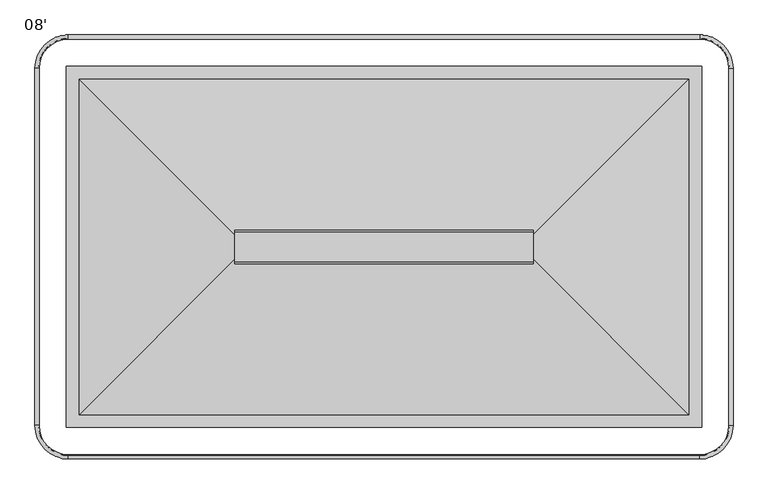
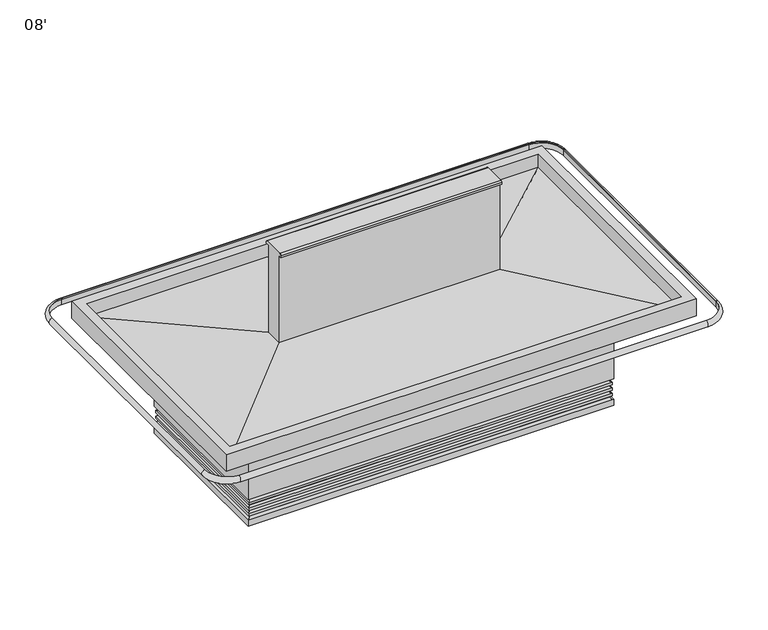
"""IFC4 building model written with IfcOpenShell, lengths in millimetres: proxy geometry, 08'."""

from ifc_helpers import new_model, si_unit, point, frame, frame_2d, origin, place, context, project, spatial, polyline, circle_curve, ellipse_curve, trimmed, segment, composite_curve, outline, extrude, faceted_brep, source, transform, mapped, element, save
from ifc_brep_helpers import plane_surface, cylinder_surface, revolved_surface, advanced_brep


def proxy_08_4865af42(model_context):
    return source(origin(), model_context, "Body", "SolidModel", [
        extrude(outline(polyline([(736.6, -861.8839273), (736.6, -947.6089273), (482.6, -947.6089273), (482.6, -861.8839273), (736.6, -861.8839273)])), frame((0.0, 0.0, 47.767603), z_axis=(0.0, 0.0, 1.0), x_axis=(1.0, 0.0, 0.0)), (0.0, 0.0, 1.0), 6.35),
        extrude(outline(composite_curve([segment(trimmed(circle_curve(frame_2d((1341.3169367, -1217.4839273)), 38.1), [point((1303.2169367, -1217.4839273))], [point((1379.4169367, -1217.4839273))], False, "CARTESIAN"), True, "CONTINUOUS"), segment(trimmed(circle_curve(frame_2d((1341.3169367, -1217.4839273)), 38.1), [point((1379.4169367, -1217.4839273))], [point((1303.2169367, -1217.4839273))], False, "CARTESIAN"), True, "CONTINUOUS")], self_intersect=False)), frame((0.0, 0.0, 45.8758502), z_axis=(0.0, 0.0, 1.0), x_axis=(1.0, 0.0, 0.0)), (0.0, 0.0, 1.0), 55.7241498),
        extrude(outline(composite_curve([segment(trimmed(circle_curve(frame_2d((1593.85, -1541.3339273)), 9.525), [point((1584.325, -1541.3339273))], [point((1603.375, -1541.3339273))], False, "CARTESIAN"), True, "CONTINUOUS"), segment(trimmed(circle_curve(frame_2d((1593.85, -1541.3339273)), 9.525), [point((1603.375, -1541.3339273))], [point((1584.325, -1541.3339273))], False, "CARTESIAN"), True, "CONTINUOUS")], self_intersect=False)), frame((0.0, 0.0, 45.8758502), z_axis=(0.0, 0.0, 1.0), x_axis=(1.0, 0.0, 0.0)), (0.0, 0.0, 1.0), 55.7241498),
        extrude(outline(composite_curve([segment(trimmed(circle_curve(frame_2d((1638.3, -1541.3339273)), 12.7), [point((1625.6, -1541.3339273))], [point((1651.0, -1541.3339273))], False, "CARTESIAN"), True, "CONTINUOUS"), segment(trimmed(circle_curve(frame_2d((1638.3, -1541.3339273)), 12.7), [point((1651.0, -1541.3339273))], [point((1625.6, -1541.3339273))], False, "CARTESIAN"), True, "CONTINUOUS")], self_intersect=False)), frame((0.0, 0.0, 45.8758502), z_axis=(0.0, 0.0, 1.0), x_axis=(1.0, 0.0, 0.0)), (0.0, 0.0, 1.0), 55.7241498),
        advanced_brep(
        [(2266.7346585, -1613.7562898, 146.1174288), (2266.7346585, -817.2619729, 146.1174288), (416.1403415, -817.2619729, 146.1174288), (416.1403415, -1613.7562898, 146.1174288), (2266.7346585, -1613.7562898, 0.0), (416.1403415, -1613.7562898, 0.0), (416.1403415, -817.2619729, 0.0), (2266.7346585, -817.2619729, 0.0), (2223.8721585, -860.1244729, 0.0), (459.0028415, -860.1244729, 0.0), (459.0028415, -1570.8937898, 0.0), (1577.935904, -1570.8937898, 0.0), (1660.564096, -1570.8937898, 0.0), (2223.8721585, -1570.8937898, 0.0), (2223.8721585, -860.1244729, 54.117603), (2223.8721585, -1570.8937898, 54.117603), (1660.564096, -1570.8937898, 54.117603), (1670.05, -1541.3339273, 54.117603), (1568.45, -1541.3339273, 54.117603), (1577.935904, -1570.8937898, 54.117603), (459.0028415, -1570.8937898, 54.117603), (459.0028415, -860.1244729, 54.117603), (1290.5169367, -1217.4839273, 54.117603), (1392.1169367, -1217.4839273, 54.117603), (1568.45, -1541.3339273, 101.6), (1670.05, -1541.3339273, 101.6), (1290.5169367, -1217.4839273, 101.6), (1392.1169367, -1217.4839273, 101.6)],
        [
            (0, 1),
            (1, 2),
            (2, 3),
            (3, 0),
            (4, 5),
            (5, 6),
            (6, 7),
            (7, 4),
            (8, 9),
            (9, 10),
            (10, 11),
            (11, 12, circle_curve(frame((1619.25, -1541.3339273, 0.0), z_axis=(0.0, 0.0, 1.0), x_axis=(1.0, 0.0, 0.0)), 50.8)),
            (12, 13),
            (13, 8),
            (0, 4),
            (7, 1),
            (6, 2),
            (5, 3),
            (14, 15),
            (15, 16),
            (16, 17, circle_curve(frame((1619.25, -1541.3339273, 54.117603), z_axis=(0.0, 0.0, 1.0), x_axis=(1.0, 0.0, 0.0)), 50.8)),
            (17, 18, circle_curve(frame((1619.25, -1541.3339273, 54.117603), z_axis=(0.0, 0.0, 1.0), x_axis=(1.0, 0.0, 0.0)), 50.8)),
            (18, 19, circle_curve(frame((1619.25, -1541.3339273, 54.117603), z_axis=(0.0, 0.0, 1.0), x_axis=(1.0, 0.0, 0.0)), 50.8)),
            (19, 20),
            (20, 21),
            (21, 14),
            (22, 23, circle_curve(frame((1341.3169367, -1217.4839273, 54.117603), z_axis=(0.0, 0.0, 1.0), x_axis=(1.0, 0.0, 0.0)), 50.8)),
            (23, 22, circle_curve(frame((1341.3169367, -1217.4839273, 54.117603), z_axis=(0.0, 0.0, 1.0), x_axis=(1.0, 0.0, 0.0)), 50.8)),
            (21, 9),
            (8, 14),
            (20, 10),
            (19, 11),
            (15, 13),
            (12, 16),
            (24, 25, circle_curve(frame((1619.25, -1541.3339273, 101.6), z_axis=(0.0, 0.0, -1.0), x_axis=(1.0, 0.0, 0.0)), 50.8)),
            (25, 24, circle_curve(frame((1619.25, -1541.3339273, 101.6), z_axis=(0.0, 0.0, -1.0), x_axis=(1.0, 0.0, 0.0)), 50.8)),
            (25, 17),
            (18, 24),
            (26, 27, circle_curve(frame((1341.3169367, -1217.4839273, 101.6), z_axis=(0.0, 0.0, -1.0), x_axis=(1.0, 0.0, 0.0)), 50.8)),
            (27, 26, circle_curve(frame((1341.3169367, -1217.4839273, 101.6), z_axis=(0.0, 0.0, -1.0), x_axis=(1.0, 0.0, 0.0)), 50.8)),
            (27, 23),
            (22, 26),
        ],
        [
            plane_surface(frame((2266.7346585, -817.2619729, 146.1174288), z_axis=(0.0, 0.0, 1.0), x_axis=(0.0, 1.0, 0.0))),
            plane_surface(frame((2266.7346585, -817.2619729, 0.0), z_axis=(0.0, 0.0, -1.0), x_axis=(0.0, -1.0, 0.0))),
            plane_surface(frame((2266.7346585, -1613.7562898, 146.1174288), z_axis=(1.0, 0.0, 0.0), x_axis=(0.0, 0.0, -1.0))),
            plane_surface(frame((2266.7346585, -817.2619729, 146.1174288), z_axis=(0.0, 1.0, 0.0), x_axis=(0.0, 0.0, -1.0))),
            plane_surface(frame((416.1403415, -817.2619729, 146.1174288), z_axis=(-1.0, 0.0, 0.0), x_axis=(0.0, 0.0, -1.0))),
            plane_surface(frame((416.1403415, -1613.7562898, 146.1174288), z_axis=(0.0, -1.0, 0.0), x_axis=(0.0, 0.0, -1.0))),
            plane_surface(frame((459.0028415, -860.1244729, 54.117603), z_axis=(0.0, 0.0, -1.0), x_axis=(-1.0, 0.0, 0.0))),
            plane_surface(frame((2223.8721585, -860.1244729, 54.117603), z_axis=(0.0, -1.0, 0.0), x_axis=(0.0, 0.0, -1.0))),
            plane_surface(frame((459.0028415, -860.1244729, 54.117603), z_axis=(1.0, 0.0, 0.0), x_axis=(0.0, 0.0, -1.0))),
            plane_surface(frame((459.0028415, -1570.8937898, 54.117603), z_axis=(0.0, 1.0, 0.0), x_axis=(0.0, 0.0, -1.0))),
            plane_surface(frame((2223.8721585, -1570.8937898, 54.117603), z_axis=(-1.0, 0.0, 0.0), x_axis=(0.0, 0.0, -1.0))),
            plane_surface(frame((1670.05, -1541.3339273, 101.6), z_axis=(0.0, 0.0, -1.0), x_axis=(0.0, 1.0, 0.0))),
            revolved_surface(polyline([(1670.05, -1541.3339273, 101.6), (1670.05, -1541.3339273, 0.0)]), (1619.25, -1541.3339273, 0.0), (0.0, 0.0, 1.0)),
            revolved_surface(polyline([(1670.05, -1541.3339273, 101.6), (1670.05, -1541.3339273, 54.117603)]), (1619.25, -1541.3339273, 0.0), (0.0, 0.0, 1.0)),
            plane_surface(frame((1392.1169367, -1217.4839273, 101.6), z_axis=(0.0, 0.0, -1.0), x_axis=(0.0, 1.0, 0.0))),
            revolved_surface(polyline([(1392.1169367, -1217.4839273, 101.6), (1392.1169367, -1217.4839273, 54.117603)]), (1341.3169367, -1217.4839273, 0.0), (0.0, 0.0, 1.0)),
        ],
        [
            (0, [[1, 2, 3, 4]]),
            (1, [[5, 6, 7, 8], [9, 10, 11, 12, 13, 14]]),
            (2, [[-1, 15, -8, 16]]),
            (3, [[-2, -16, -7, 17]]),
            (4, [[-3, -17, -6, 18]]),
            (5, [[-4, -18, -5, -15]]),
            (6, [[19, 20, 21, 22, 23, 24, 25, 26], [27, 28]]),
            (7, [[-26, 29, -9, 30]]),
            (8, [[-25, 31, -10, -29]]),
            (9, [[-31, -24, 32, -11]]),
            (9, [[33, -13, 34, -20]]),
            (10, [[-19, -30, -14, -33]]),
            (11, [[35, 36]]),
            (12, [[-36, 37, -21, -34, -12, -32, -23, 38]]),
            (13, [[-35, -38, -22, -37]]),
            (14, [[39, 40]]),
            (15, [[-40, 41, -27, 42]]),
            (15, [[-39, -42, -28, -41]]),
        ],
    ),
        advanced_brep(
        [(2290.0141466, -1637.0357779, 31.5422302), (2290.0141466, -1637.0357779, 0.0), (2290.0141466, -793.9824848, 0.0), (2290.0141466, -793.9824848, 31.5422302), (2276.3963436, -807.6002877, 41.1495431), (2276.3963436, -1623.417975, 41.1495431), (2272.9072466, -811.0893848, 52.3148032), (2272.9072466, -1619.9288779, 52.3148032), (2283.5444418, -800.4521895, 50.1569804), (2283.5444418, -1630.5660732, 50.1569804), (2285.5383418, -1632.5599732, 62.8569804), (2285.5383418, -1632.5599732, 50.1569804), (2285.5383418, -798.4582895, 50.1569804), (2285.5383418, -798.4582895, 62.8569804), (2276.3963436, -807.6002877, 72.1217262), (2276.3963436, -1623.417975, 72.1217262), (2272.9072466, -811.0893848, 83.2869863), (2272.9072466, -1619.9288779, 83.2869863), (2283.5444418, -800.4521895, 81.1291635), (2283.5444418, -1630.5660732, 81.1291635), (2285.5383418, -1632.5599732, 93.8291635), (2285.5383418, -1632.5599732, 81.1291635), (2285.5383418, -798.4582895, 81.1291635), (2285.5383418, -798.4582895, 93.8291635), (2276.3963436, -807.6002877, 103.0939093), (2276.3963436, -1623.417975, 103.0939093), (2272.9072466, -811.0893848, 114.1327174), (2272.9072466, -1619.9288779, 114.1327174), (2283.5444418, -800.4521895, 112.1015335), (2283.5444418, -1630.5660732, 112.1015335), (2285.5383418, -1632.5599732, 124.8015335), (2285.5383418, -1632.5599732, 112.1015335), (2285.5383418, -798.4582895, 112.1015335), (2285.5383418, -798.4582895, 124.8015335), (2272.9072466, -811.0893848, 137.5013466), (2272.9072466, -1619.9288779, 137.5013466), (2272.9072466, -811.0893848, 146.1174288), (2272.9072466, -1619.9288779, 146.1174288), (2266.7346585, -1613.7562898, 0.0), (2266.7346585, -1613.7562898, 146.1174288), (2266.7346585, -817.2619729, 146.1174288), (2266.7346585, -817.2619729, 0.0), (392.8608534, -793.9824848, 0.0), (392.8608534, -793.9824848, 31.5422302), (406.4786564, -807.6002877, 41.1495431), (409.9677534, -811.0893848, 52.3148032), (399.3305582, -800.4521895, 50.1569804), (397.3366582, -798.4582895, 50.1569804), (397.3366582, -798.4582895, 62.8569804), (406.4786564, -807.6002877, 72.1217262), (409.9677534, -811.0893848, 83.2869863), (399.3305582, -800.4521895, 81.1291635), (397.3366582, -798.4582895, 81.1291635), (397.3366582, -798.4582895, 93.8291635), (406.4786564, -807.6002877, 103.0939093), (409.9677534, -811.0893848, 114.1327174), (399.3305582, -800.4521895, 112.1015335), (397.3366582, -798.4582895, 112.1015335), (397.3366582, -798.4582895, 124.8015335), (409.9677534, -811.0893848, 137.5013466), (409.9677534, -811.0893848, 146.1174288), (416.1403415, -817.2619729, 146.1174288), (416.1403415, -817.2619729, 0.0), (392.8608534, -1637.0357779, 0.0), (392.8608534, -1637.0357779, 31.5422302), (406.4786564, -1623.417975, 41.1495431), (409.9677534, -1619.9288779, 52.3148032), (399.3305582, -1630.5660732, 50.1569804), (397.3366582, -1632.5599732, 50.1569804), (397.3366582, -1632.5599732, 62.8569804), (406.4786564, -1623.417975, 72.1217262), (409.9677534, -1619.9288779, 83.2869863), (399.3305582, -1630.5660732, 81.1291635), (397.3366582, -1632.5599732, 81.1291635), (397.3366582, -1632.5599732, 93.8291635), (406.4786564, -1623.417975, 103.0939093), (409.9677534, -1619.9288779, 114.1327174), (399.3305582, -1630.5660732, 112.1015335), (397.3366582, -1632.5599732, 112.1015335), (397.3366582, -1632.5599732, 124.8015335), (409.9677534, -1619.9288779, 137.5013466), (409.9677534, -1619.9288779, 146.1174288), (416.1403415, -1613.7562898, 146.1174288), (416.1403415, -1613.7562898, 0.0)],
        [
            (0, 1),
            (1, 2),
            (2, 3),
            (3, 0),
            (3, 4, ellipse_curve(frame((2288.7301808, -795.2664505, 44.1771593), z_axis=(-0.7071067811865475, 0.7071067811865475, 0.0), x_axis=(0.7071067811865474, 0.7071067811865476, 0.0)), 17.9605122, 12.7)),
            (4, 5),
            (5, 0, ellipse_curve(frame((2288.7301808, -1635.7518122, 44.1771593), z_axis=(-0.7071067811865475, -0.7071067811865475, 0.0), x_axis=(-0.7071067811865474, 0.7071067811865476, 0.0)), 17.9605122, 12.7)),
            (4, 6),
            (6, 7),
            (7, 5),
            (6, 8),
            (8, 9),
            (9, 7),
            (10, 11),
            (11, 12),
            (12, 13),
            (13, 10),
            (13, 14, ellipse_curve(frame((2288.7301808, -795.2664505, 75.1493424), z_axis=(-0.7071067811865475, 0.7071067811865475, 0.0), x_axis=(0.7071067811865474, 0.7071067811865476, 0.0)), 17.9605122, 12.7)),
            (14, 15),
            (15, 10, ellipse_curve(frame((2288.7301808, -1635.7518122, 75.1493424), z_axis=(-0.7071067811865475, -0.7071067811865475, 0.0), x_axis=(-0.7071067811865474, 0.7071067811865476, 0.0)), 17.9605122, 12.7)),
            (14, 16),
            (16, 17),
            (17, 15),
            (16, 18),
            (18, 19),
            (19, 17),
            (20, 21),
            (21, 22),
            (22, 23),
            (23, 20),
            (23, 24, ellipse_curve(frame((2288.7301808, -795.2664505, 106.1215255), z_axis=(-0.7071067811865475, 0.7071067811865475, 0.0), x_axis=(0.7071067811865474, 0.7071067811865476, 0.0)), 17.9605122, 12.7)),
            (24, 25),
            (25, 20, ellipse_curve(frame((2288.7301808, -1635.7518122, 106.1215255), z_axis=(-0.7071067811865475, -0.7071067811865475, 0.0), x_axis=(-0.7071067811865474, 0.7071067811865476, 0.0)), 17.9605122, 12.7)),
            (24, 26),
            (26, 27),
            (27, 25),
            (26, 28),
            (28, 29),
            (29, 27),
            (30, 31),
            (31, 32),
            (32, 33),
            (33, 30),
            (33, 34, ellipse_curve(frame((2285.6072466, -798.3893848, 137.5013466), z_axis=(-0.7071067811865475, 0.7071067811865475, 0.0), x_axis=(0.7071067811865474, 0.7071067811865476, 0.0)), 17.9605122, 12.7)),
            (34, 35),
            (35, 30, ellipse_curve(frame((2285.6072466, -1632.6288779, 137.5013466), z_axis=(-0.7071067811865475, -0.7071067811865475, 0.0), x_axis=(-0.7071067811865474, 0.7071067811865476, 0.0)), 17.9605122, 12.7)),
            (34, 36),
            (36, 37),
            (37, 35),
            (38, 39),
            (39, 40),
            (40, 41),
            (41, 38),
            (2, 42),
            (42, 43),
            (43, 3),
            (43, 44, ellipse_curve(frame((394.1448192, -795.2664505, 44.1771593), z_axis=(-0.7071067811865475, -0.7071067811865475, 0.0), x_axis=(-0.7071067811865476, 0.7071067811865474, 0.0)), 17.9605122, 12.7)),
            (44, 4),
            (44, 45),
            (45, 6),
            (45, 46),
            (46, 8),
            (12, 47),
            (47, 48),
            (48, 13),
            (48, 49, ellipse_curve(frame((394.1448192, -795.2664505, 75.1493424), z_axis=(-0.7071067811865475, -0.7071067811865475, 0.0), x_axis=(-0.7071067811865476, 0.7071067811865474, 0.0)), 17.9605122, 12.7)),
            (49, 14),
            (49, 50),
            (50, 16),
            (50, 51),
            (51, 18),
            (22, 52),
            (52, 53),
            (53, 23),
            (53, 54, ellipse_curve(frame((394.1448192, -795.2664505, 106.1215255), z_axis=(-0.7071067811865475, -0.7071067811865475, 0.0), x_axis=(-0.7071067811865476, 0.7071067811865474, 0.0)), 17.9605122, 12.7)),
            (54, 24),
            (54, 55),
            (55, 26),
            (55, 56),
            (56, 28),
            (32, 57),
            (57, 58),
            (58, 33),
            (58, 59, ellipse_curve(frame((397.2677534, -798.3893848, 137.5013466), z_axis=(-0.7071067811865475, -0.7071067811865475, 0.0), x_axis=(-0.7071067811865476, 0.7071067811865474, 0.0)), 17.9605122, 12.7)),
            (59, 34),
            (59, 60),
            (60, 36),
            (40, 61),
            (61, 62),
            (62, 41),
            (42, 63),
            (63, 64),
            (64, 43),
            (64, 65, ellipse_curve(frame((394.1448192, -1635.7518122, 44.1771593), z_axis=(0.7071067811865475, -0.7071067811865475, 0.0), x_axis=(-0.7071067811865474, -0.7071067811865476, 0.0)), 17.9605122, 12.7)),
            (65, 44),
            (65, 66),
            (66, 45),
            (66, 67),
            (67, 46),
            (47, 68),
            (68, 69),
            (69, 48),
            (69, 70, ellipse_curve(frame((394.1448192, -1635.7518122, 75.1493424), z_axis=(0.7071067811865475, -0.7071067811865475, 0.0), x_axis=(-0.7071067811865474, -0.7071067811865476, 0.0)), 17.9605122, 12.7)),
            (70, 49),
            (70, 71),
            (71, 50),
            (71, 72),
            (72, 51),
            (52, 73),
            (73, 74),
            (74, 53),
            (74, 75, ellipse_curve(frame((394.1448192, -1635.7518122, 106.1215255), z_axis=(0.7071067811865475, -0.7071067811865475, 0.0), x_axis=(-0.7071067811865474, -0.7071067811865476, 0.0)), 17.9605122, 12.7)),
            (75, 54),
            (75, 76),
            (76, 55),
            (76, 77),
            (77, 56),
            (57, 78),
            (78, 79),
            (79, 58),
            (79, 80, ellipse_curve(frame((397.2677534, -1632.6288779, 137.5013466), z_axis=(0.7071067811865475, -0.7071067811865475, 0.0), x_axis=(-0.7071067811865474, -0.7071067811865476, 0.0)), 17.9605122, 12.7)),
            (80, 59),
            (80, 81),
            (81, 60),
            (61, 82),
            (82, 83),
            (83, 62),
            (0, 64),
            (63, 1),
            (5, 65),
            (7, 66),
            (9, 67),
            (11, 68),
            (10, 69),
            (15, 70),
            (17, 71),
            (19, 72),
            (21, 73),
            (20, 74),
            (25, 75),
            (27, 76),
            (29, 77),
            (31, 78),
            (30, 79),
            (35, 80),
            (37, 81),
            (39, 82),
            (38, 83),
        ],
        [
            plane_surface(frame((2290.0141466, -1637.0357779, 0.0), z_axis=(1.0, 0.0, 0.0), x_axis=(0.0, 1.0, 0.0))),
            revolved_surface(polyline([(2276.0301808000004, -782.5664505297964, 44.1771593), (2276.0301808000004, -1648.4518121702035, 44.1771593)]), (2288.7301808, -2029.8966313, 44.1771593), (0.0, 1.0, 0.0)),
            plane_surface(frame((2276.3963436, -1623.417975, 41.1495431), z_axis=(0.9544811145040246, 0.0, 0.298271356410828), x_axis=(0.0, 1.0, 0.0))),
            plane_surface(frame((2272.9072466, -1619.9288779, 52.3148032), z_axis=(-0.19880707887706084, 0.0, -0.9800386448443603), x_axis=(0.0, 1.0, 0.0))),
            plane_surface(frame((2285.5383418, -1632.5599732, 50.1569804), z_axis=(1.0, 0.0, 0.0), x_axis=(0.0, 1.0, 0.0))),
            revolved_surface(polyline([(2276.0301808000004, -782.5664505297964, 75.1493424), (2276.0301808000004, -1648.4518121702035, 75.1493424)]), (2288.7301808, -2029.8966313, 75.1493424), (0.0, 1.0, 0.0)),
            plane_surface(frame((2276.3963436, -1623.417975, 72.1217262), z_axis=(0.9544811145040845, 0.0, 0.29827135641063635), x_axis=(0.0, 1.0, 0.0))),
            plane_surface(frame((2272.9072466, -1619.9288779, 83.2869863), z_axis=(-0.198807078877056, 0.0, -0.9800386448443613), x_axis=(0.0, 1.0, 0.0))),
            plane_surface(frame((2285.5383418, -1632.5599732, 81.1291635), z_axis=(1.0, 0.0, 0.0), x_axis=(0.0, 1.0, 0.0))),
            revolved_surface(polyline([(2276.0301808000004, -782.5664505297964, 106.1215255), (2276.0301808000004, -1648.4518121702035, 106.1215255)]), (2288.7301808, -2029.8966313, 106.1215255), (0.0, 1.0, 0.0)),
            plane_surface(frame((2276.3963436, -1623.417975, 103.0939093), z_axis=(0.9535043111325446, 0.0, 0.3013793766196547), x_axis=(0.0, 1.0, 0.0))),
            plane_surface(frame((2272.9072466, -1619.9288779, 114.1327174), z_axis=(-0.18756221551811014, 0.0, -0.9822527247658507), x_axis=(0.0, 1.0, 0.0))),
            plane_surface(frame((2285.5383418, -1632.5599732, 112.1015335), z_axis=(1.0, 0.0, 0.0), x_axis=(0.0, 1.0, 0.0))),
            revolved_surface(polyline([(2272.9072466000002, -785.6893848297964, 137.5013466), (2272.9072466000002, -1645.3288778702035, 137.5013466)]), (2285.6072466, -2029.8966313, 137.5013466), (0.0, 1.0, 0.0)),
            plane_surface(frame((2272.9072466, -1619.9288779, 137.5013466), z_axis=(1.0, 0.0, 0.0), x_axis=(0.0, 1.0, 0.0))),
            plane_surface(frame((2266.7346585, -1613.7562898, 146.1174288), z_axis=(-1.0, 0.0, 0.0), x_axis=(0.0, 1.0, 0.0))),
            plane_surface(frame((2290.0141466, -793.9824848, 0.0), z_axis=(0.0, 1.0, 0.0), x_axis=(-1.0, 0.0, 0.0))),
            revolved_surface(polyline([(381.44481922979594, -807.9664505000001, 44.1771593), (2301.430180770204, -807.9664505000001, 44.1771593)]), (2682.875, -795.2664505, 44.1771593), (-1.0, 0.0, 0.0)),
            plane_surface(frame((2276.3963436, -807.6002877, 41.1495431), z_axis=(0.0, 0.9544811145040246, 0.298271356410828), x_axis=(-1.0, 0.0, 0.0))),
            plane_surface(frame((2272.9072466, -811.0893848, 52.3148032), z_axis=(0.0, -0.19880707887706084, -0.9800386448443603), x_axis=(-1.0, 0.0, 0.0))),
            plane_surface(frame((2285.5383418, -798.4582895, 50.1569804), z_axis=(0.0, 1.0, 0.0), x_axis=(-1.0, 0.0, 0.0))),
            revolved_surface(polyline([(381.44481922979594, -807.9664505000001, 75.1493424), (2301.430180770204, -807.9664505000001, 75.1493424)]), (2682.875, -795.2664505, 75.1493424), (-1.0, 0.0, 0.0)),
            plane_surface(frame((2276.3963436, -807.6002877, 72.1217262), z_axis=(0.0, 0.9544811145040845, 0.29827135641063635), x_axis=(-1.0, 0.0, 0.0))),
            plane_surface(frame((2272.9072466, -811.0893848, 83.2869863), z_axis=(0.0, -0.198807078877056, -0.9800386448443613), x_axis=(-1.0, 0.0, 0.0))),
            plane_surface(frame((2285.5383418, -798.4582895, 81.1291635), z_axis=(0.0, 1.0, 0.0), x_axis=(-1.0, 0.0, 0.0))),
            revolved_surface(polyline([(381.44481922979594, -807.9664505000001, 106.1215255), (2301.430180770204, -807.9664505000001, 106.1215255)]), (2682.875, -795.2664505, 106.1215255), (-1.0, 0.0, 0.0)),
            plane_surface(frame((2276.3963436, -807.6002877, 103.0939093), z_axis=(0.0, 0.9535043111325446, 0.3013793766196547), x_axis=(-1.0, 0.0, 0.0))),
            plane_surface(frame((2272.9072466, -811.0893848, 114.1327174), z_axis=(0.0, -0.18756221551811014, -0.9822527247658507), x_axis=(-1.0, 0.0, 0.0))),
            plane_surface(frame((2285.5383418, -798.4582895, 112.1015335), z_axis=(0.0, 1.0, 0.0), x_axis=(-1.0, 0.0, 0.0))),
            revolved_surface(polyline([(384.5677534297961, -811.0893848000001, 137.5013466), (2298.307246570204, -811.0893848000001, 137.5013466)]), (2682.875, -798.3893848, 137.5013466), (-1.0, 0.0, 0.0)),
            plane_surface(frame((2272.9072466, -811.0893848, 137.5013466), z_axis=(0.0, 1.0, 0.0), x_axis=(-1.0, 0.0, 0.0))),
            plane_surface(frame((2266.7346585, -817.2619729, 146.1174288), z_axis=(0.0, -1.0, 0.0), x_axis=(-1.0, 0.0, 0.0))),
            plane_surface(frame((392.8608534, -793.9824848, 0.0), z_axis=(-1.0, 0.0, 0.0), x_axis=(0.0, -1.0, 0.0))),
            revolved_surface(polyline([(406.84481919999996, -1648.4518121702035, 44.1771593), (406.84481919999996, -782.5664505297964, 44.1771593)]), (394.1448192, -401.1216313, 44.1771593), (0.0, -1.0, 0.0)),
            plane_surface(frame((406.4786564, -807.6002877, 41.1495431), z_axis=(-0.9544811145040246, 0.0, 0.298271356410828), x_axis=(0.0, -1.0, 0.0))),
            plane_surface(frame((409.9677534, -811.0893848, 52.3148032), z_axis=(0.19880707887706084, 0.0, -0.9800386448443603), x_axis=(0.0, -1.0, 0.0))),
            plane_surface(frame((397.3366582, -798.4582895, 50.1569804), z_axis=(-1.0, 0.0, 0.0), x_axis=(0.0, -1.0, 0.0))),
            revolved_surface(polyline([(406.84481919999996, -1648.4518121702035, 75.1493424), (406.84481919999996, -782.5664505297964, 75.1493424)]), (394.1448192, -401.1216313, 75.1493424), (0.0, -1.0, 0.0)),
            plane_surface(frame((406.4786564, -807.6002877, 72.1217262), z_axis=(-0.9544811145040845, 0.0, 0.29827135641063635), x_axis=(0.0, -1.0, 0.0))),
            plane_surface(frame((409.9677534, -811.0893848, 83.2869863), z_axis=(0.198807078877056, 0.0, -0.9800386448443613), x_axis=(0.0, -1.0, 0.0))),
            plane_surface(frame((397.3366582, -798.4582895, 81.1291635), z_axis=(-1.0, 0.0, 0.0), x_axis=(0.0, -1.0, 0.0))),
            revolved_surface(polyline([(406.84481919999996, -1648.4518121702035, 106.1215255), (406.84481919999996, -782.5664505297964, 106.1215255)]), (394.1448192, -401.1216313, 106.1215255), (0.0, -1.0, 0.0)),
            plane_surface(frame((406.4786564, -807.6002877, 103.0939093), z_axis=(-0.9535043111325446, 0.0, 0.3013793766196547), x_axis=(0.0, -1.0, 0.0))),
            plane_surface(frame((409.9677534, -811.0893848, 114.1327174), z_axis=(0.18756221551811014, 0.0, -0.9822527247658507), x_axis=(0.0, -1.0, 0.0))),
            plane_surface(frame((397.3366582, -798.4582895, 112.1015335), z_axis=(-1.0, 0.0, 0.0), x_axis=(0.0, -1.0, 0.0))),
            revolved_surface(polyline([(409.9677534, -1645.3288778702035, 137.5013466), (409.9677534, -785.6893848297964, 137.5013466)]), (397.2677534, -401.1216313, 137.5013466), (0.0, -1.0, 0.0)),
            plane_surface(frame((409.9677534, -811.0893848, 137.5013466), z_axis=(-1.0, 0.0, 0.0), x_axis=(0.0, -1.0, 0.0))),
            plane_surface(frame((416.1403415, -817.2619729, 146.1174288), z_axis=(1.0, 0.0, 0.0), x_axis=(0.0, -1.0, 0.0))),
            plane_surface(frame((392.8608534, -1637.0357779, 0.0), z_axis=(0.0, -1.0, 0.0), x_axis=(1.0, 0.0, 0.0))),
            revolved_surface(polyline([(2301.430180770204, -1623.0518121999999, 44.1771593), (381.4448192297963, -1623.0518121999999, 44.1771593)]), (0.0, -1635.7518122, 44.1771593), (1.0, 0.0, 0.0)),
            plane_surface(frame((406.4786564, -1623.417975, 41.1495431), z_axis=(0.0, -0.9544811145040246, 0.298271356410828), x_axis=(1.0, 0.0, 0.0))),
            plane_surface(frame((409.9677534, -1619.9288779, 52.3148032), z_axis=(0.0, 0.19880707887706084, -0.9800386448443603), x_axis=(1.0, 0.0, 0.0))),
            plane_surface(frame((399.3305582, -1630.5660732, 50.1569804), z_axis=(0.0, 0.0, -1.0), x_axis=(1.0, 0.0, 0.0))),
            plane_surface(frame((397.3366582, -1632.5599732, 50.1569804), z_axis=(0.0, -1.0, 0.0), x_axis=(1.0, 0.0, 0.0))),
            revolved_surface(polyline([(2301.430180770204, -1623.0518121999999, 75.1493424), (381.4448192297963, -1623.0518121999999, 75.1493424)]), (0.0, -1635.7518122, 75.1493424), (1.0, 0.0, 0.0)),
            plane_surface(frame((406.4786564, -1623.417975, 72.1217262), z_axis=(0.0, -0.9544811145040845, 0.29827135641063635), x_axis=(1.0, 0.0, 0.0))),
            plane_surface(frame((409.9677534, -1619.9288779, 83.2869863), z_axis=(0.0, 0.198807078877056, -0.9800386448443613), x_axis=(1.0, 0.0, 0.0))),
            plane_surface(frame((399.3305582, -1630.5660732, 81.1291635), z_axis=(0.0, 0.0, -1.0), x_axis=(1.0, 0.0, 0.0))),
            plane_surface(frame((397.3366582, -1632.5599732, 81.1291635), z_axis=(0.0, -1.0, 0.0), x_axis=(1.0, 0.0, 0.0))),
            revolved_surface(polyline([(2301.430180770204, -1623.0518121999999, 106.1215255), (381.4448192297963, -1623.0518121999999, 106.1215255)]), (0.0, -1635.7518122, 106.1215255), (1.0, 0.0, 0.0)),
            plane_surface(frame((406.4786564, -1623.417975, 103.0939093), z_axis=(0.0, -0.9535043111325446, 0.3013793766196547), x_axis=(1.0, 0.0, 0.0))),
            plane_surface(frame((409.9677534, -1619.9288779, 114.1327174), z_axis=(0.0, 0.18756221551811014, -0.9822527247658507), x_axis=(1.0, 0.0, 0.0))),
            plane_surface(frame((399.3305582, -1630.5660732, 112.1015335), z_axis=(0.0, 0.0, -1.0), x_axis=(1.0, 0.0, 0.0))),
            plane_surface(frame((397.3366582, -1632.5599732, 112.1015335), z_axis=(0.0, -1.0, 0.0), x_axis=(1.0, 0.0, 0.0))),
            revolved_surface(polyline([(2298.307246570204, -1619.9288778999999, 137.5013466), (384.5677534297963, -1619.9288778999999, 137.5013466)]), (0.0, -1632.6288779, 137.5013466), (1.0, 0.0, 0.0)),
            plane_surface(frame((409.9677534, -1619.9288779, 137.5013466), z_axis=(0.0, -1.0, 0.0), x_axis=(1.0, 0.0, 0.0))),
            plane_surface(frame((409.9677534, -1619.9288779, 146.1174288), z_axis=(0.0, 0.0, 1.0), x_axis=(1.0, 0.0, 0.0))),
            plane_surface(frame((416.1403415, -1613.7562898, 146.1174288), z_axis=(0.0, 1.0, 0.0), x_axis=(1.0, 0.0, 0.0))),
            plane_surface(frame((416.1403415, -1613.7562898, 0.0), z_axis=(0.0, 0.0, -1.0), x_axis=(1.0, 0.0, 0.0))),
        ],
        [
            (0, [[1, 2, 3, 4]]),
            (1, [[-4, 5, 6, 7]]),
            (2, [[-6, 8, 9, 10]]),
            (3, [[-9, 11, 12, 13]]),
            (4, [[14, 15, 16, 17]]),
            (5, [[-17, 18, 19, 20]]),
            (6, [[-19, 21, 22, 23]]),
            (7, [[-22, 24, 25, 26]]),
            (8, [[27, 28, 29, 30]]),
            (9, [[-30, 31, 32, 33]]),
            (10, [[-32, 34, 35, 36]]),
            (11, [[-35, 37, 38, 39]]),
            (12, [[40, 41, 42, 43]]),
            (13, [[-43, 44, 45, 46]]),
            (14, [[-45, 47, 48, 49]]),
            (15, [[50, 51, 52, 53]]),
            (16, [[-3, 54, 55, 56]]),
            (17, [[-5, -56, 57, 58]]),
            (18, [[-8, -58, 59, 60]]),
            (19, [[-11, -60, 61, 62]]),
            (20, [[-16, 63, 64, 65]]),
            (21, [[-18, -65, 66, 67]]),
            (22, [[-21, -67, 68, 69]]),
            (23, [[-24, -69, 70, 71]]),
            (24, [[-29, 72, 73, 74]]),
            (25, [[-31, -74, 75, 76]]),
            (26, [[-34, -76, 77, 78]]),
            (27, [[-37, -78, 79, 80]]),
            (28, [[-42, 81, 82, 83]]),
            (29, [[-44, -83, 84, 85]]),
            (30, [[-47, -85, 86, 87]]),
            (31, [[-52, 88, 89, 90]]),
            (32, [[-55, 91, 92, 93]]),
            (33, [[-57, -93, 94, 95]]),
            (34, [[-59, -95, 96, 97]]),
            (35, [[-61, -97, 98, 99]]),
            (36, [[-64, 100, 101, 102]]),
            (37, [[-66, -102, 103, 104]]),
            (38, [[-68, -104, 105, 106]]),
            (39, [[-70, -106, 107, 108]]),
            (40, [[-73, 109, 110, 111]]),
            (41, [[-75, -111, 112, 113]]),
            (42, [[-77, -113, 114, 115]]),
            (43, [[-79, -115, 116, 117]]),
            (44, [[-82, 118, 119, 120]]),
            (45, [[-84, -120, 121, 122]]),
            (46, [[-86, -122, 123, 124]]),
            (47, [[-89, 125, 126, 127]]),
            (48, [[-1, 128, -92, 129]]),
            (49, [[-7, 130, -94, -128]]),
            (50, [[-10, 131, -96, -130]]),
            (51, [[-13, 132, -98, -131]]),
            (52, [[-15, 133, -100, -63], [-12, -62, -99, -132]]),
            (53, [[-14, 134, -101, -133]]),
            (54, [[-20, 135, -103, -134]]),
            (55, [[-23, 136, -105, -135]]),
            (56, [[-26, 137, -107, -136]]),
            (57, [[-28, 138, -109, -72], [-25, -71, -108, -137]]),
            (58, [[-27, 139, -110, -138]]),
            (59, [[-33, 140, -112, -139]]),
            (60, [[-36, 141, -114, -140]]),
            (61, [[-39, 142, -116, -141]]),
            (62, [[-41, 143, -118, -81], [-38, -80, -117, -142]]),
            (63, [[-40, 144, -119, -143]]),
            (64, [[-46, 145, -121, -144]]),
            (65, [[-49, 146, -123, -145]]),
            (66, [[-48, -87, -124, -146], [-51, 147, -125, -88]]),
            (67, [[-50, 148, -126, -147]]),
            (68, [[-2, -129, -91, -54], [-53, -90, -127, -148]]),
        ],
    ),
        faceted_brep([(393.096833, -1636.7997983, 354.4616084), (393.096833, -1636.7997983, 146.1174288), (2289.778167, -1636.7997983, 146.1174288), (2289.778167, -1636.7997983, 354.4616084), (412.591333, -1617.3052983, 374.65), (412.591333, -1617.3052983, 354.4616084), (2270.283667, -1617.3052983, 354.4616084), (2270.283667, -1617.3052983, 374.65), (512.4264211, -1517.4702102, 146.1174288), (512.4264211, -1517.4702102, 374.65), (2170.4485789, -1517.4702102, 374.65), (2170.4485789, -1517.4702102, 146.1174288), (2289.778167, -794.2184644, 146.1174288), (2289.778167, -794.2184644, 354.4616084), (2270.283667, -813.7129644, 354.4616084), (2270.283667, -813.7129644, 374.65), (2170.4485789, -913.5480525, 374.65), (2170.4485789, -913.5480525, 146.1174288), (393.096833, -794.2184644, 146.1174288), (393.096833, -794.2184644, 354.4616084), (412.591333, -813.7129644, 354.4616084), (412.591333, -813.7129644, 374.65), (512.4264211, -913.5480525, 374.65), (512.4264211, -913.5480525, 146.1174288)], [[[0, 1, 2, 3]], [[4, 5, 6, 7]], [[8, 9, 10, 11]], [[3, 2, 12, 13]], [[7, 6, 14, 15]], [[11, 10, 16, 17]], [[13, 12, 18, 19]], [[15, 14, 20, 21]], [[17, 16, 22, 23]], [[19, 18, 1, 0]], [[3, 13, 19, 0], [5, 20, 14, 6]], [[21, 20, 5, 4]], [[7, 15, 21, 4], [9, 22, 16, 10]], [[23, 22, 9, 8]], [[1, 18, 12, 2], [11, 17, 23, 8]]]),
        extrude(outline(polyline([(-913.5480525, 374.65), (-913.5480525, 146.1174288), (-1517.4702102, 146.1174288), (-1517.4702102, 374.65), (-1553.9615199, 374.65), (-1553.9615199, 439.7810985), (-1261.5529273, 429.0471023), (-1261.5529273, 581.214329), (-1169.4653354, 581.214329), (-1169.4653354, 429.0471023), (-877.0567428, 439.7810985), (-877.0567428, 374.65), (-913.5480525, 374.65)])), frame((512.4264211, 0.0, 0.0), z_axis=(1.0, 0.0, 0.0), x_axis=(0.0, 1.0, 0.0)), (0.0, 0.0, 1.0), 1658.0221578),
        extrude(outline(composite_curve([segment(polyline([(-1170.2399273, 1126.34395), (-1170.2399273, 581.214329), (-1261.5529273, 581.214329), (-1261.5529273, 1126.34395), (-1280.1838273, 1126.34395), (-1280.1838273, 1137.4501)]), True, "CONTINUOUS"), segment(trimmed(circle_curve(frame_2d((-1273.0464273, 1137.4501)), 7.1374), [point((-1280.1838273, 1137.4501))], [point((-1273.0464273, 1144.5875))], False, "CARTESIAN"), True, "CONTINUOUS"), segment(polyline([(-1273.0464273, 1144.5875), (-1158.7464273, 1144.5875)]), True, "CONTINUOUS"), segment(trimmed(circle_curve(frame_2d((-1158.7464273, 1137.4501)), 7.1374), [point((-1158.7464273, 1144.5875))], [point((-1151.6090273, 1137.4501))], False, "CARTESIAN"), True, "CONTINUOUS"), segment(polyline([(-1151.6090273, 1137.4501), (-1151.6090273, 1126.34395), (-1170.2399273, 1126.34395)]), True, "CONTINUOUS")], self_intersect=False)), frame((768.343704, 0.0, 0.0), z_axis=(1.0, 0.0, 0.0), x_axis=(0.0, 1.0, 0.0)), (0.0, 0.0, 1.0), 1146.1875919),
        faceted_brep([(1914.531296, -1261.5529273, 429.0471023), (1914.531296, -1261.5529273, 648.8884047), (1914.531296, -1169.4653354, 648.8884047), (1914.531296, -1169.4653354, 429.0471023), (2398.9052696, -1745.9269009, 446.8279354), (2398.9052696, -685.0913618, 446.8279354), (2561.9668165, -1908.9884479, 561.0048878), (2561.9668165, -522.0298148, 561.0048878), (2561.9668165, -1908.9884479, 652.4421919), (2561.9668165, -522.0298148, 652.4421919), (2512.8661257, -1859.887757, 581.4120358), (2512.8661257, -1859.887757, 652.4421919), (2512.8661257, -571.1305057, 652.4421919), (2512.8661257, -571.1305057, 581.4120358), (768.343704, -1169.4653354, 648.8884047), (768.343704, -1169.4653354, 429.0471023), (283.9697304, -685.0913618, 446.8279354), (120.9081835, -522.0298148, 561.0048878), (120.9081835, -522.0298148, 652.4421919), (170.0088743, -571.1305057, 652.4421919), (170.0088743, -571.1305057, 581.4120358), (768.343704, -1261.5529273, 648.8884047), (768.343704, -1261.5529273, 429.0471023), (283.9697304, -1745.9269009, 446.8279354), (120.9081835, -1908.9884479, 561.0048878), (120.9081835, -1908.9884479, 652.4421919), (170.0088743, -1859.887757, 652.4421919), (170.0088743, -1859.887757, 581.4120358)], [[[0, 1, 2, 3]], [[4, 0, 3, 5]], [[6, 4, 5, 7]], [[8, 6, 7, 9]], [[10, 11, 12, 13]], [[1, 10, 13, 2]], [[3, 2, 14, 15]], [[5, 3, 15, 16]], [[7, 5, 16, 17]], [[9, 7, 17, 18]], [[13, 12, 19, 20]], [[2, 13, 20, 14]], [[15, 14, 21, 22]], [[16, 15, 22, 23]], [[17, 16, 23, 24]], [[18, 17, 24, 25]], [[20, 19, 26, 27]], [[14, 20, 27, 21]], [[22, 21, 1, 0]], [[23, 22, 0, 4]], [[24, 23, 4, 6]], [[25, 24, 6, 8]], [[9, 18, 25, 8], [11, 26, 19, 12]], [[27, 26, 11, 10]], [[21, 27, 10, 1]]]),
        advanced_brep(
        [(128.5372773, -416.5623694, 567.3554417), (128.5372773, -416.7208248, 602.1833335), (2554.3377227, -416.7208248, 602.1833335), (2554.3377227, -416.5623694, 567.3554417), (2667.434262, -529.6589086, 567.3554417), (2667.2758065, -529.6589086, 602.1833335), (2667.2758065, -1901.3593541, 602.1833335), (2667.434262, -1901.3593541, 567.3554417), (2554.3377227, -2014.4558933, 567.3554417), (2554.3377227, -2014.2974379, 602.1833335), (128.5372773, -2014.2974379, 602.1833335), (128.5372773, -2014.4558933, 567.3554417), (15.440738, -1901.3593541, 567.3554417), (15.5991935, -1901.3593541, 602.1833335), (15.5991935, -529.6589086, 602.1833335), (15.440738, -529.6589086, 567.3554417), (13.7849021, -1901.3593541, 594.7340526), (128.5372773, -2016.1117293, 594.7340526), (13.7849021, -529.6589086, 594.7340526), (128.5372773, -414.9065334, 594.7340526), (2554.3377227, -414.9065334, 594.7340526), (2669.0900979, -529.6589086, 594.7340526), (2669.0900979, -1901.3593541, 594.7340526), (2554.3377227, -2016.1117293, 594.7340526)],
        [
            (0, 1, circle_curve(frame((128.5372773, -418.2438235, 584.762098), z_axis=(1.0, 0.0, 0.0), x_axis=(0.0, 1.0, 0.0)), 17.4876806)),
            (1, 2),
            (2, 3, circle_curve(frame((2554.3377227, -418.2438235, 584.762098), z_axis=(-1.0, 0.0, 0.0), x_axis=(0.0, 1.0, 0.0)), 17.4876806)),
            (3, 0),
            (4, 3, circle_curve(frame((2554.3377227, -529.6589086, 567.3554417), z_axis=(0.0, 0.0, 1.0), x_axis=(0.0, 1.0, 0.0)), 113.0965393)),
            (2, 5, circle_curve(frame((2554.3377227, -529.6589086, 602.1833335), z_axis=(0.0, 0.0, -1.0), x_axis=(0.0, 1.0, 0.0)), 112.9380838)),
            (5, 4, circle_curve(frame((2665.7528079, -529.6589086, 584.762098), z_axis=(0.0, 1.0, 0.0), x_axis=(1.0, 0.0, 0.0)), 17.4876806)),
            (5, 6),
            (6, 7, circle_curve(frame((2665.7528079, -1901.3593541, 584.762098), z_axis=(0.0, 1.0, 0.0), x_axis=(1.0, 0.0, 0.0)), 17.4876806)),
            (7, 4),
            (8, 7, circle_curve(frame((2554.3377227, -1901.3593541, 567.3554417), z_axis=(0.0, 0.0, 1.0), x_axis=(1.0, 0.0, 0.0)), 113.0965393)),
            (6, 9, circle_curve(frame((2554.3377227, -1901.3593541, 602.1833335), z_axis=(0.0, 0.0, -1.0), x_axis=(1.0, 0.0, 0.0)), 112.9380838)),
            (9, 8, circle_curve(frame((2554.3377227, -2012.7744392, 584.762098), z_axis=(1.0, 0.0, 0.0), x_axis=(0.0, -1.0, 0.0)), 17.4876806)),
            (9, 10),
            (10, 11, circle_curve(frame((128.5372773, -2012.7744392, 584.762098), z_axis=(1.0, 0.0, 0.0), x_axis=(0.0, -1.0, 0.0)), 17.4876806)),
            (11, 8),
            (12, 11, circle_curve(frame((128.5372773, -1901.3593541, 567.3554417), z_axis=(0.0, 0.0, 1.0), x_axis=(0.0, -1.0, 0.0)), 113.0965393)),
            (10, 13, circle_curve(frame((128.5372773, -1901.3593541, 602.1833335), z_axis=(0.0, 0.0, -1.0), x_axis=(0.0, -1.0, 0.0)), 112.9380838)),
            (13, 12, circle_curve(frame((17.1221921, -1901.3593541, 584.762098), z_axis=(0.0, -1.0, 0.0), x_axis=(-1.0, 0.0, 0.0)), 17.4876806)),
            (13, 14),
            (14, 15, circle_curve(frame((17.1221921, -529.6589086, 584.762098), z_axis=(0.0, -1.0, 0.0), x_axis=(-1.0, 0.0, 0.0)), 17.4876806)),
            (15, 12),
            (0, 15, circle_curve(frame((128.5372773, -529.6589086, 567.3554417), z_axis=(0.0, 0.0, 1.0), x_axis=(-1.0, 0.0, 0.0)), 113.0965393)),
            (14, 1, circle_curve(frame((128.5372773, -529.6589086, 602.1833335), z_axis=(0.0, 0.0, -1.0), x_axis=(-1.0, 0.0, 0.0)), 112.9380838)),
            (16, 17, circle_curve(frame((128.5372773, -1901.3593541, 594.7340526), z_axis=(0.0, 0.0, 1.0), x_axis=(0.0, -1.0, 0.0)), 114.7523752)),
            (17, 11, circle_curve(frame((128.5372773, -1889.2567413, 588.6667609), z_axis=(1.0, 0.0, 0.0), x_axis=(0.0, -1.0, 0.0)), 127.0)),
            (12, 16, circle_curve(frame((140.63989, -1901.3593541, 588.6667609), z_axis=(0.0, 1.0, 0.0), x_axis=(-1.0, 0.0, 0.0)), 127.0)),
            (10, 17, circle_curve(frame((128.5372773, -1842.4945202, 556.3947163), z_axis=(1.0, 0.0, 0.0), x_axis=(0.0, -1.0, 0.0)), 177.8)),
            (16, 13, circle_curve(frame((187.4021112, -1901.3593541, 556.3947163), z_axis=(0.0, 1.0, 0.0), x_axis=(-1.0, 0.0, 0.0)), 177.8)),
            (15, 18, circle_curve(frame((140.63989, -529.6589086, 588.6667609), z_axis=(0.0, 1.0, 0.0), x_axis=(-1.0, 0.0, 0.0)), 127.0)),
            (18, 16),
            (18, 14, circle_curve(frame((187.4021112, -529.6589086, 556.3947163), z_axis=(0.0, 1.0, 0.0), x_axis=(-1.0, 0.0, 0.0)), 177.8)),
            (19, 18, circle_curve(frame((128.5372773, -529.6589086, 594.7340526), z_axis=(0.0, 0.0, 1.0), x_axis=(-1.0, 0.0, 0.0)), 114.7523752)),
            (0, 19, circle_curve(frame((128.5372773, -541.7615214, 588.6667609), z_axis=(1.0, 0.0, 0.0), x_axis=(0.0, 1.0, 0.0)), 127.0)),
            (19, 1, circle_curve(frame((128.5372773, -588.5237425, 556.3947163), z_axis=(1.0, 0.0, 0.0), x_axis=(0.0, 1.0, 0.0)), 177.8)),
            (3, 20, circle_curve(frame((2554.3377227, -541.7615214, 588.6667609), z_axis=(1.0, 0.0, 0.0), x_axis=(0.0, 1.0, 0.0)), 127.0)),
            (20, 19),
            (20, 2, circle_curve(frame((2554.3377227, -588.5237425, 556.3947163), z_axis=(1.0, 0.0, 0.0), x_axis=(0.0, 1.0, 0.0)), 177.8)),
            (21, 20, circle_curve(frame((2554.3377227, -529.6589086, 594.7340526), z_axis=(0.0, 0.0, 1.0), x_axis=(0.0, 1.0, 0.0)), 114.7523752)),
            (4, 21, circle_curve(frame((2542.23511, -529.6589086, 588.6667609), z_axis=(0.0, -1.0, 0.0), x_axis=(1.0, 0.0, 0.0)), 127.0)),
            (21, 5, circle_curve(frame((2495.4728888, -529.6589086, 556.3947163), z_axis=(0.0, -1.0, 0.0), x_axis=(1.0, 0.0, 0.0)), 177.8)),
            (7, 22, circle_curve(frame((2542.23511, -1901.3593541, 588.6667609), z_axis=(0.0, -1.0, 0.0), x_axis=(1.0, 0.0, 0.0)), 127.0)),
            (22, 21),
            (22, 6, circle_curve(frame((2495.4728888, -1901.3593541, 556.3947163), z_axis=(0.0, -1.0, 0.0), x_axis=(1.0, 0.0, 0.0)), 177.8)),
            (23, 22, circle_curve(frame((2554.3377227, -1901.3593541, 594.7340526), z_axis=(0.0, 0.0, 1.0), x_axis=(1.0, 0.0, 0.0)), 114.7523752)),
            (8, 23, circle_curve(frame((2554.3377227, -1889.2567413, 588.6667609), z_axis=(-1.0, 0.0, 0.0), x_axis=(0.0, -1.0, 0.0)), 127.0)),
            (23, 9, circle_curve(frame((2554.3377227, -1842.4945202, 556.3947163), z_axis=(-1.0, 0.0, 0.0), x_axis=(0.0, -1.0, 0.0)), 177.8)),
            (17, 23),
        ],
        [
            cylinder_surface(frame((128.5372773, -418.2438235, 584.762098), z_axis=(-1.0, 0.0, 0.0), x_axis=(0.0, 1.0, 0.0)), 17.4876806),
            revolved_surface(trimmed(ellipse_curve(frame((2554.3377227, -418.2438235, 584.762098), z_axis=(-1.0, 0.0, 0.0), x_axis=(0.0, 1.0, 0.0)), 17.4876806, 17.4876806), [point((2554.3377227, -416.7208248, 602.1833335))], [point((2554.3377227, -416.5623694, 567.3554417))], True, "CARTESIAN"), (2554.3377227, -529.6589086, 0.0), (0.0, 0.0, -1.0)),
            cylinder_surface(frame((2665.7528079, -529.6589086, 584.762098), z_axis=(0.0, 1.0, 0.0), x_axis=(1.0, 0.0, 0.0)), 17.4876806),
            revolved_surface(trimmed(ellipse_curve(frame((2665.7528079, -1901.3593541, 584.762098), z_axis=(0.0, 1.0, 0.0), x_axis=(1.0, 0.0, 0.0)), 17.4876806, 17.4876806), [point((2667.2758065, -1901.3593541, 602.1833335))], [point((2667.434262, -1901.3593541, 567.3554417))], True, "CARTESIAN"), (2554.3377227, -1901.3593541, 0.0), (0.0, 0.0, -1.0)),
            cylinder_surface(frame((2554.3377227, -2012.7744392, 584.762098), z_axis=(1.0, 0.0, 0.0), x_axis=(0.0, -1.0, 0.0)), 17.4876806),
            revolved_surface(trimmed(ellipse_curve(frame((128.5372773, -2012.7744392, 584.762098), z_axis=(1.0, 0.0, 0.0), x_axis=(0.0, -1.0, 0.0)), 17.4876806, 17.4876806), [point((128.5372773, -2014.2974379, 602.1833335))], [point((128.5372773, -2014.4558933, 567.3554417))], True, "CARTESIAN"), (128.5372773, -1901.3593541, 0.0), (0.0, 0.0, -1.0)),
            cylinder_surface(frame((17.1221921, -1901.3593541, 584.762098), z_axis=(0.0, -1.0, 0.0), x_axis=(-1.0, 0.0, 0.0)), 17.4876806),
            revolved_surface(trimmed(ellipse_curve(frame((17.1221921, -529.6589086, 584.762098), z_axis=(0.0, -1.0, 0.0), x_axis=(-1.0, 0.0, 0.0)), 17.4876806, 17.4876806), [point((15.5991935, -529.6589086, 602.1833335))], [point((15.440738, -529.6589086, 567.3554417))], True, "CARTESIAN"), (128.5372773, -529.6589086, 0.0), (0.0, 0.0, -1.0)),
            revolved_surface(trimmed(ellipse_curve(frame((128.5372773, -1889.2567413, 588.6667609), z_axis=(-1.0, 0.0, 0.0), x_axis=(0.0, -1.0, 0.0)), 127.0, 127.0), [point((128.5372773, -2014.4558933, 567.3554417))], [point((128.5372773, -2016.1117293, 594.7340526))], True, "CARTESIAN"), (128.5372773, -1901.3593541, 0.0), (0.0, 0.0, -1.0)),
            revolved_surface(trimmed(ellipse_curve(frame((128.5372773, -1842.4945202, 556.3947163), z_axis=(-1.0, 0.0, 0.0), x_axis=(0.0, -1.0, 0.0)), 177.8, 177.8), [point((128.5372773, -2016.1117293, 594.7340526))], [point((128.5372773, -2014.2974379, 602.1833335))], True, "CARTESIAN"), (128.5372773, -1901.3593541, 0.0), (0.0, 0.0, -1.0)),
            revolved_surface(polyline([(13.639890000000008, -529.6589085999999, 588.6667609), (13.639890000000008, -1901.3593541, 588.6667609)]), (140.63989, -1901.3593541, 588.6667609), (0.0, 1.0, 0.0)),
            revolved_surface(polyline([(9.602111199999996, -529.6589085999999, 556.3947163), (9.602111199999996, -1901.3593541, 556.3947163)]), (187.4021112, -1901.3593541, 556.3947163), (0.0, 1.0, 0.0)),
            revolved_surface(trimmed(ellipse_curve(frame((140.63989, -529.6589086, 588.6667609), z_axis=(0.0, 1.0, 0.0), x_axis=(-1.0, 0.0, 0.0)), 127.0, 127.0), [point((15.440738, -529.6589086, 567.3554417))], [point((13.7849021, -529.6589086, 594.7340526))], True, "CARTESIAN"), (128.5372773, -529.6589086, 0.0), (0.0, 0.0, -1.0)),
            revolved_surface(trimmed(ellipse_curve(frame((187.4021112, -529.6589086, 556.3947163), z_axis=(0.0, 1.0, 0.0), x_axis=(-1.0, 0.0, 0.0)), 177.8, 177.8), [point((13.7849021, -529.6589086, 594.7340526))], [point((15.5991935, -529.6589086, 602.1833335))], True, "CARTESIAN"), (128.5372773, -529.6589086, 0.0), (0.0, 0.0, -1.0)),
            revolved_surface(polyline([(2554.3377227, -414.7615214, 588.6667609), (128.5372773, -414.7615214, 588.6667609)]), (128.5372773, -541.7615214, 588.6667609), (1.0, 0.0, 0.0)),
            revolved_surface(polyline([(2554.3377227, -410.7237425, 556.3947163), (128.5372773, -410.7237425, 556.3947163)]), (128.5372773, -588.5237425, 556.3947163), (1.0, 0.0, 0.0)),
            revolved_surface(trimmed(ellipse_curve(frame((2554.3377227, -541.7615214, 588.6667609), z_axis=(1.0, 0.0, 0.0), x_axis=(0.0, 1.0, 0.0)), 127.0, 127.0), [point((2554.3377227, -416.5623694, 567.3554417))], [point((2554.3377227, -414.9065334, 594.7340526))], True, "CARTESIAN"), (2554.3377227, -529.6589086, 0.0), (0.0, 0.0, -1.0)),
            revolved_surface(trimmed(ellipse_curve(frame((2554.3377227, -588.5237425, 556.3947163), z_axis=(1.0, 0.0, 0.0), x_axis=(0.0, 1.0, 0.0)), 177.8, 177.8), [point((2554.3377227, -414.9065334, 594.7340526))], [point((2554.3377227, -416.7208248, 602.1833335))], True, "CARTESIAN"), (2554.3377227, -529.6589086, 0.0), (0.0, 0.0, -1.0)),
            revolved_surface(polyline([(2669.23511, -1901.3593541, 588.6667609), (2669.23511, -529.6589086, 588.6667609)]), (2542.23511, -529.6589086, 588.6667609), (0.0, -1.0, 0.0)),
            revolved_surface(polyline([(2673.2728888, -1901.3593541, 556.3947163), (2673.2728888, -529.6589086, 556.3947163)]), (2495.4728888, -529.6589086, 556.3947163), (0.0, -1.0, 0.0)),
            revolved_surface(trimmed(ellipse_curve(frame((2542.23511, -1901.3593541, 588.6667609), z_axis=(0.0, -1.0, 0.0), x_axis=(1.0, 0.0, 0.0)), 127.0, 127.0), [point((2667.434262, -1901.3593541, 567.3554417))], [point((2669.0900979, -1901.3593541, 594.7340526))], True, "CARTESIAN"), (2554.3377227, -1901.3593541, 0.0), (0.0, 0.0, -1.0)),
            revolved_surface(trimmed(ellipse_curve(frame((2495.4728888, -1901.3593541, 556.3947163), z_axis=(0.0, -1.0, 0.0), x_axis=(1.0, 0.0, 0.0)), 177.8, 177.8), [point((2669.0900979, -1901.3593541, 594.7340526))], [point((2667.2758065, -1901.3593541, 602.1833335))], True, "CARTESIAN"), (2554.3377227, -1901.3593541, 0.0), (0.0, 0.0, -1.0)),
            revolved_surface(polyline([(128.53727729999991, -2016.2567413, 588.6667609), (2554.3377227, -2016.2567413, 588.6667609)]), (2554.3377227, -1889.2567413, 588.6667609), (-1.0, 0.0, 0.0)),
            revolved_surface(polyline([(128.53727729999991, -2020.2945201999999, 556.3947163), (2554.3377227, -2020.2945201999999, 556.3947163)]), (2554.3377227, -1842.4945202, 556.3947163), (-1.0, 0.0, 0.0)),
        ],
        [
            (0, [[1, 2, 3, 4]]),
            (1, [[5, -3, 6, 7]]),
            (2, [[-7, 8, 9, 10]]),
            (3, [[11, -9, 12, 13]]),
            (4, [[-13, 14, 15, 16]]),
            (5, [[17, -15, 18, 19]]),
            (6, [[-19, 20, 21, 22]]),
            (7, [[23, -21, 24, -1]]),
            (8, [[25, 26, -17, 27]]),
            (9, [[-18, 28, -25, 29]]),
            (10, [[-27, -22, 30, 31]]),
            (11, [[-29, -31, 32, -20]]),
            (12, [[33, -30, -23, 34]]),
            (13, [[-24, -32, -33, 35]]),
            (14, [[-34, -4, 36, 37]]),
            (15, [[-35, -37, 38, -2]]),
            (16, [[39, -36, -5, 40]]),
            (17, [[-6, -38, -39, 41]]),
            (18, [[-40, -10, 42, 43]]),
            (19, [[-41, -43, 44, -8]]),
            (20, [[45, -42, -11, 46]]),
            (21, [[-12, -44, -45, 47]]),
            (22, [[-46, -16, -26, 48]]),
            (23, [[-47, -48, -28, -14]]),
        ],
    ),
    ])


if __name__ == "__main__":
    model = new_model("IFC4")
    model_context = context("Model", 3, world=origin())
    ifc_project = project(units=[si_unit("LENGTHUNIT", "METRE", prefix="MILLI")], contexts=[model_context])
    site = spatial("IfcSite", under=ifc_project)
    building = spatial("IfcBuilding", under=site)
    placement = place(None, origin())
    proxy_08_shape = proxy_08_4865af42(model_context)
    element("IfcBuildingElementProxy", 1, Name="08'", ObjectType="08'", at=placement, inside=building, context=model_context, shape_type="MappedRepresentation", body=[
        mapped(proxy_08_shape, transform((0.0, 0.0, 0.0), x_axis=(1.0, 0.0, 0.0), y_axis=(0.0, 1.0, 0.0), z_axis=(0.0, 0.0, 1.0))),
    ])
    save(model, "model.ifc")
